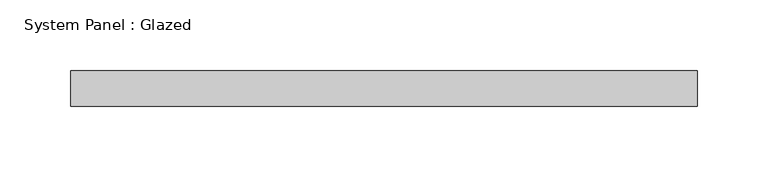
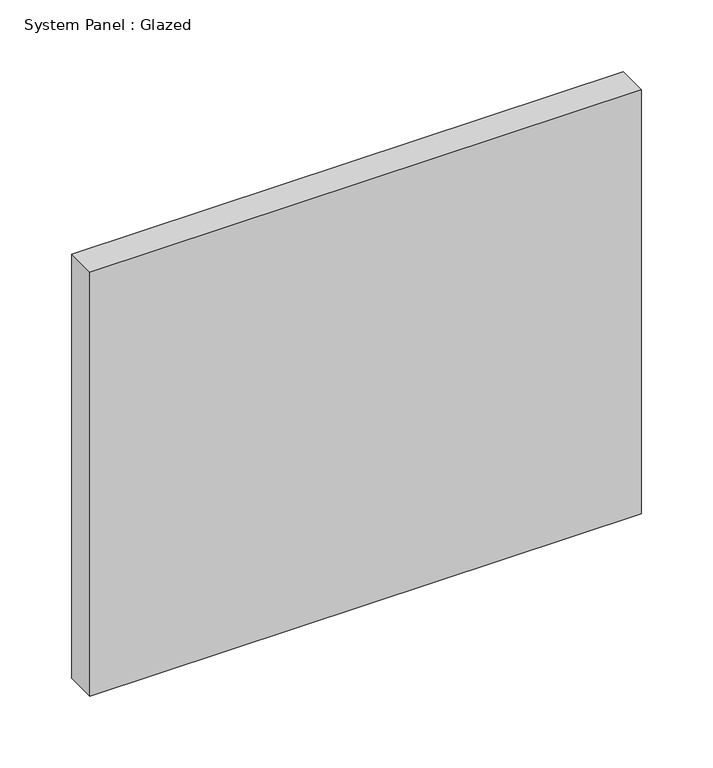
"""IFC4 building model written with IfcOpenShell, lengths in millimetres: plate geometry, System Panel : Glazed."""

from ifc_helpers import new_model, si_unit, origin, origin_with_axes, place, context, project, spatial, polyline, outline, extrude, source, transform, mapped, element, save


def system_panel_glazed_a688226e(model_context):
    return source(origin(), model_context, "Body", "SweptSolid", [
        extrude(outline(polyline([(222.25, -12.7), (-222.25, -12.7), (-222.25, 12.7), (222.25, 12.7), (222.25, -12.7)])), origin_with_axes(), (0.0, 0.0, 1.0), 361.45),
    ])


if __name__ == "__main__":
    model = new_model("IFC4")
    model_context = context("Model", 3, world=origin())
    ifc_project = project(units=[si_unit("LENGTHUNIT", "METRE", prefix="MILLI")], contexts=[model_context])
    site = spatial("IfcSite", under=ifc_project)
    building = spatial("IfcBuilding", under=site)
    placement = place(None, origin())
    system_panel_glazed_shape = system_panel_glazed_a688226e(model_context)
    element("IfcPlate", 1, ObjectType="System Panel : Glazed", at=placement, inside=building, context=model_context, shape_type="MappedRepresentation", body=[
        mapped(system_panel_glazed_shape, transform((0.0, 0.0, 0.0), x_axis=(1.0, 0.0, 0.0), y_axis=(0.0, 1.0, 0.0), z_axis=(0.0, 0.0, 1.0))),
    ])
    save(model, "model.ifc")
